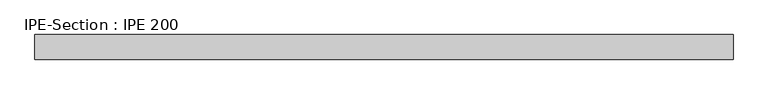
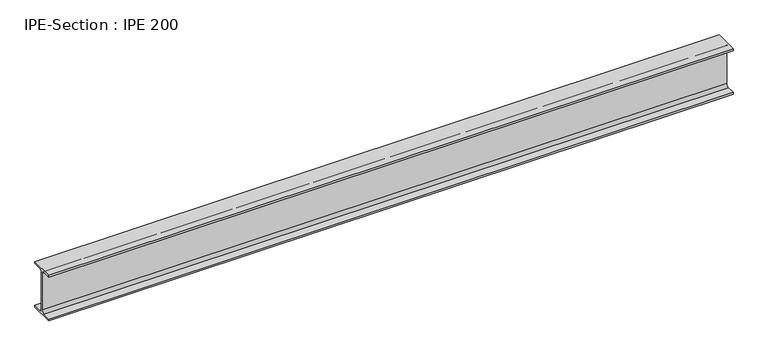
"""IFC4 building model written with IfcOpenShell, lengths in millimetres: beam geometry, IPE-Section : IPE 200."""

from ifc_helpers import new_model, si_unit, point, frame, frame_2d, origin, place, context, project, spatial, polyline, circle_curve, trimmed, segment, composite_curve, outline, extrude, source, transform, mapped, element, save


def ipe_section_ipe_200_e60b70c8(model_context):
    return source(origin(), model_context, "Body", "SweptSolid", [
        extrude(outline(composite_curve([segment(polyline([(50.0, -91.5), (50.0, -100.0), (-50.0, -100.0), (-50.0, -91.5), (-14.8, -91.5)]), True, "CONTINUOUS"), segment(trimmed(circle_curve(frame_2d((-14.8, -79.5)), 12.0), [point((-14.8, -91.5))], [point((-2.8, -79.5))], True, "CARTESIAN"), True, "CONTINUOUS"), segment(polyline([(-2.8, -79.5), (-2.8, 79.5)]), True, "CONTINUOUS"), segment(trimmed(circle_curve(frame_2d((-14.8, 79.5)), 12.0), [point((-2.8, 79.5))], [point((-14.8, 91.5))], True, "CARTESIAN"), True, "CONTINUOUS"), segment(polyline([(-14.8, 91.5), (-50.0, 91.5), (-50.0, 100.0), (50.0, 100.0), (50.0, 91.5), (14.8, 91.5)]), True, "CONTINUOUS"), segment(trimmed(circle_curve(frame_2d((14.8, 79.5)), 12.0), [point((14.8, 91.5))], [point((2.8, 79.5))], True, "CARTESIAN"), True, "CONTINUOUS"), segment(polyline([(2.8, 79.5), (2.8, -79.5)]), True, "CONTINUOUS"), segment(trimmed(circle_curve(frame_2d((14.8, -79.5)), 12.0), [point((2.8, -79.5))], [point((14.8, -91.5))], True, "CARTESIAN"), True, "CONTINUOUS"), segment(polyline([(14.8, -91.5), (50.0, -91.5)]), True, "CONTINUOUS")], self_intersect=False)), frame((-1470.0470624, 0.0, 0.0), z_axis=(1.0, 0.0, 0.0), x_axis=(0.0, 1.0, 0.0)), (0.0, 0.0, 1.0), 2836.991145),
    ])


if __name__ == "__main__":
    model = new_model("IFC4")
    model_context = context("Model", 3, world=origin())
    ifc_project = project(units=[si_unit("LENGTHUNIT", "METRE", prefix="MILLI")], contexts=[model_context])
    site = spatial("IfcSite", under=ifc_project)
    building = spatial("IfcBuilding", under=site)
    placement = place(None, origin())
    ipe_section_ipe_200_shape = ipe_section_ipe_200_e60b70c8(model_context)
    element("IfcBeam", 1, ObjectType="IPE-Section : IPE 200", at=placement, inside=building, context=model_context, shape_type="MappedRepresentation", body=[
        mapped(ipe_section_ipe_200_shape, transform((0.0, 0.0, 0.0), x_axis=(1.0, 0.0, 0.0), y_axis=(0.0, 1.0, 0.0), z_axis=(0.0, 0.0, 1.0))),
    ])
    save(model, "model.ifc")
